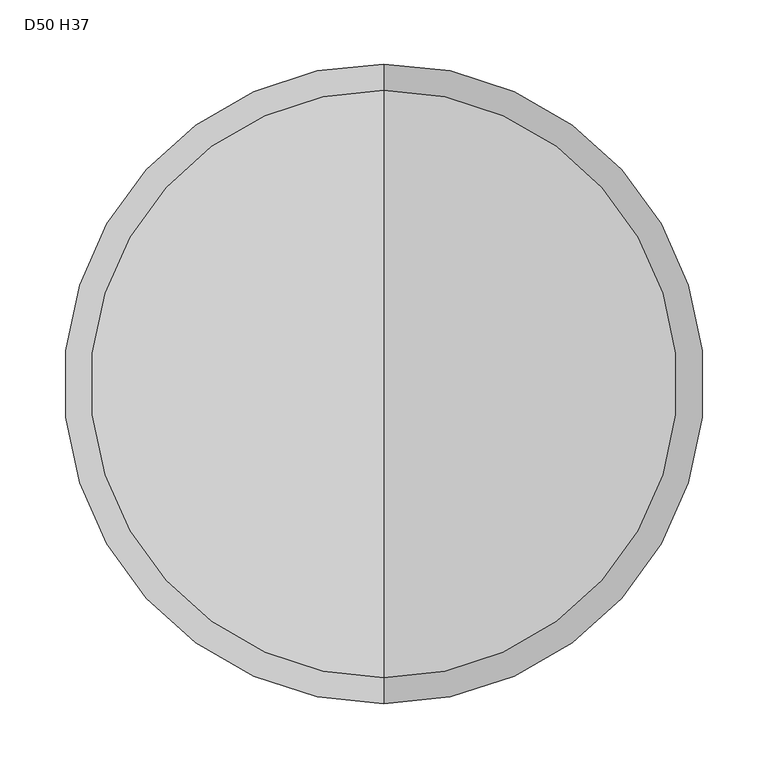
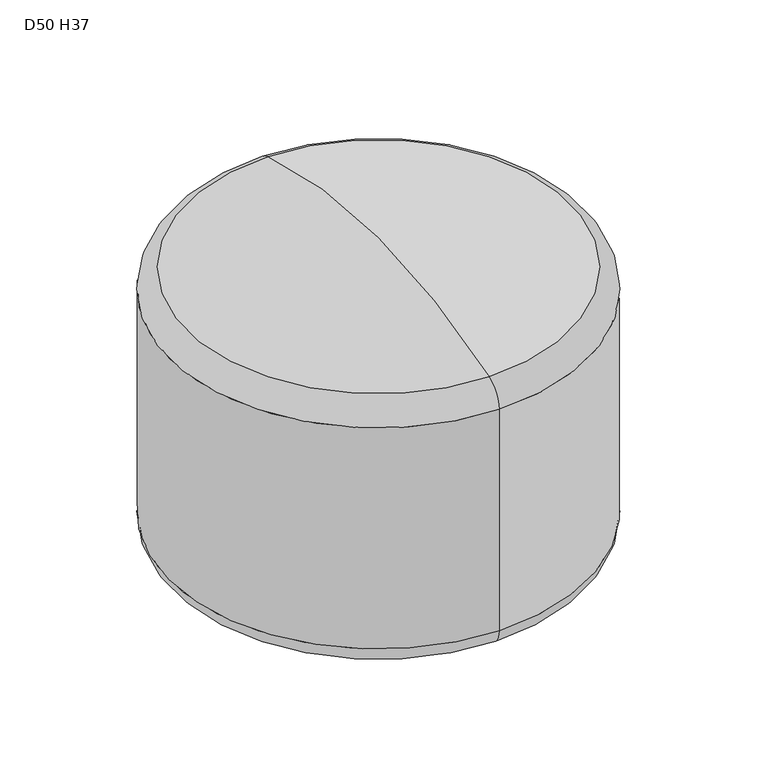
"""IFC4 building model written with IfcOpenShell, lengths in millimetres: furniture geometry, D50 H37."""

import ifcopenshell
import ifcopenshell.guid

model = None  # the IFC model being written
_history = None  # IfcOwnerHistory: only IFC2X3 demands one
_inside = {}  # id of a spatial element -> (the spatial element, [elements in it])
_under = {}  # id of a project, library or spatial element -> (it, [spatial elements below it])
_declared = {}  # id of a project -> (the project, [libraries it declares])
_typed = {}  # id of a type object -> (the type object, [elements of that type])
_made_of = {}  # id of a material, layer set ... -> (it, [elements and type objects made of it])


def new_model(schema):
    """Start an empty IFC model of exactly this schema.

    Asked for "IFC4X3", IfcOpenShell would pick the latest addendum, in which some entities
    have other attributes; the version numbers below select the first issue.
    IFC2X3 requires an IfcOwnerHistory on every rooted entity: one is made here for all.
    """
    global model, _history
    if schema == "IFC4X3":
        model = ifcopenshell.file(schema_version=(4, 3, 0, 0))
    else:
        model = ifcopenshell.file(schema=schema)
    _inside.clear()
    _under.clear()
    _declared.clear()
    _typed.clear()
    _made_of.clear()
    _history = None
    if model.schema == "IFC2X3":
        org = make("IfcOrganization", Name="unknown")
        user = make(
            "IfcPersonAndOrganization",
            ThePerson=make("IfcPerson", FamilyName="unknown"),
            TheOrganization=org,
        )
        app = make(
            "IfcApplication",
            ApplicationDeveloper=org,
            Version="unknown",
            ApplicationFullName="unknown",
            ApplicationIdentifier="unknown",
        )
        _history = make(
            "IfcOwnerHistory",
            OwningUser=user,
            OwningApplication=app,
            ChangeAction="ADDED",
            CreationDate=0,
        )
    return model


def make(cls, **values):
    """One entity of the class cls with the attributes given. An attribute that is None is left unset."""
    return model.create_entity(
        cls, **{name: value for name, value in values.items() if value is not None}
    )


def rooted(cls, **values):
    """An entity with a GlobalId (a new one), such as an element, a storey or a relation."""
    return make(cls, GlobalId=ifcopenshell.guid.new(), OwnerHistory=_history, **values)


def si_unit(unit_type, name, prefix=None):
    """IfcSIUnit, for example si_unit("LENGTHUNIT", "METRE", prefix="MILLI")."""
    return make("IfcSIUnit", UnitType=unit_type, Prefix=prefix, Name=name)


def assignment(units):
    """IfcUnitAssignment: the units of a project."""
    return None if units is None else make("IfcUnitAssignment", Units=units)


def point(xyz):
    """IfcCartesianPoint."""
    return None if xyz is None else make("IfcCartesianPoint", Coordinates=xyz)


def direction(xyz):
    """IfcDirection."""
    return None if xyz is None else make("IfcDirection", DirectionRatios=xyz)


def frame(location, z_axis=None, x_axis=None):
    """IfcAxis2Placement3D, a coordinate frame: its origin and axes. An axis left out is left unset."""
    return make(
        "IfcAxis2Placement3D",
        Location=point(location),
        Axis=direction(z_axis),
        RefDirection=direction(x_axis),
    )


def origin():
    """The frame at (0, 0, 0) with its axes left unset."""
    return frame((0.0, 0.0, 0.0))


def place(relative_to, where):
    """IfcLocalPlacement: puts the frame where relative to a parent placement (None: the world)."""
    return make(
        "IfcLocalPlacement", PlacementRelTo=relative_to, RelativePlacement=where
    )


def context(
    kind, dimensions, precision=None, world=None, true_north=None, identifier=None
):
    """IfcGeometricRepresentationContext, for example the 3D "Model" context."""
    return make(
        "IfcGeometricRepresentationContext",
        ContextIdentifier=identifier,
        ContextType=kind,
        CoordinateSpaceDimension=dimensions,
        Precision=precision,
        WorldCoordinateSystem=world,
        TrueNorth=true_north,
    )


def project(units=None, contexts=None):
    """IfcProject with its units and contexts."""
    return rooted(
        "IfcProject",
        Name="project",
        RepresentationContexts=contexts,
        UnitsInContext=assignment(units),
    )


def spatial(cls, under=None, at=None, **own):
    """A site, building, storey or space (cls), placed at a placement, below another one or the project."""
    s = rooted(cls, ObjectPlacement=at, **own)
    if under is not None:
        _under.setdefault(under.id(), (under, []))[1].append(s)
    return s


def circle_curve(where, radius):
    """IfcCircle in the frame where."""
    return make("IfcCircle", Position=where, Radius=radius)


def ellipse_curve(where, semi_axis1, semi_axis2):
    """IfcEllipse in the frame where."""
    return make(
        "IfcEllipse", Position=where, SemiAxis1=semi_axis1, SemiAxis2=semi_axis2
    )


def trimmed(basis, trim1, trim2, sense, master):
    """IfcTrimmedCurve: the piece of a basis curve between two trims."""
    return make(
        "IfcTrimmedCurve",
        BasisCurve=basis,
        Trim1=trim1,
        Trim2=trim2,
        SenseAgreement=sense,
        MasterRepresentation=master,
    )


def shape(context_of_items, identifier, shape_type, items):
    """IfcShapeRepresentation: the items that make up one representation, for example the "Body"."""
    return make(
        "IfcShapeRepresentation",
        ContextOfItems=context_of_items,
        RepresentationIdentifier=identifier,
        RepresentationType=shape_type,
        Items=items,
    )


def source(mapping_origin, context_of_items, identifier, shape_type, items):
    """IfcRepresentationMap: a shape defined once, which mapped items show again and again."""
    return make(
        "IfcRepresentationMap",
        MappingOrigin=mapping_origin,
        MappedRepresentation=shape(context_of_items, identifier, shape_type, items),
    )


def transform(
    local_origin,
    x_axis=None,
    y_axis=None,
    z_axis=None,
    scale=None,
    scale2=None,
    scale3=None,
    uniform=True,
):
    """IfcCartesianTransformationOperator3D, or its non-uniform kind. x_axis, y_axis, z_axis: its Axis1, 2, 3."""
    if uniform:
        return make(
            "IfcCartesianTransformationOperator3D",
            Axis1=direction(x_axis),
            Axis2=direction(y_axis),
            LocalOrigin=point(local_origin),
            Scale=scale,
            Axis3=direction(z_axis),
        )
    return make(
        "IfcCartesianTransformationOperator3DnonUniform",
        Axis1=direction(x_axis),
        Axis2=direction(y_axis),
        LocalOrigin=point(local_origin),
        Scale=scale,
        Axis3=direction(z_axis),
        Scale2=scale2,
        Scale3=scale3,
    )


def mapped(mapping_source, mapping_target):
    """IfcMappedItem: shows the shape of a source again, moved by a transform."""
    return make(
        "IfcMappedItem", MappingSource=mapping_source, MappingTarget=mapping_target
    )


def made_of(thing, what):
    """Note that an element or type object is made of a material, layer set ...; save() writes the relation."""
    if what is not None:
        _made_of.setdefault(what.id(), (what, []))[1].append(thing)
    return thing


def element(
    cls,
    number,
    at=None,
    inside=None,
    cuts=None,
    type_object=None,
    material=None,
    context=None,
    identifier="Body",
    shape_type=None,
    held_by="IfcProductDefinitionShape",
    body=None,
    shapes=None,
    **own,
):
    """One element of the class cls, such as IfcWall. Its Tag is "e" and its number.

    at: its placement. inside: the storey or other place that contains it. cuts: it is an
    opening in that element (IfcRelVoidsElement). A single representation is given by context,
    identifier, shape_type and body (its items); several are given by shapes. held_by: the class
    of the entity that holds the representations. save() writes the other relations.
    """
    e = rooted(cls, Tag="e%d" % number, ObjectPlacement=at, **own)
    if body is not None:
        shapes = [shape(context, identifier, shape_type, body)]
    if shapes is not None:
        e.Representation = make(held_by, Representations=shapes)
    if inside is not None:
        _inside.setdefault(inside.id(), (inside, []))[1].append(e)
    if cuts is not None:
        rooted(
            "IfcRelVoidsElement", RelatingBuildingElement=cuts, RelatedOpeningElement=e
        )
    if type_object is not None:
        _typed.setdefault(type_object.id(), (type_object, []))[1].append(e)
    return made_of(e, material)


def aggregate(whole, parts):
    """IfcRelAggregates: a whole, such as a stair, and the parts it consists of."""
    return rooted("IfcRelAggregates", RelatingObject=whole, RelatedObjects=parts)


def save(model, path):
    """Write the relations noted so far, then the file.

    IfcRelAggregates (storeys below a building ...), IfcRelContainedInSpatialStructure (elements
    in a storey), IfcRelDefinesByType, IfcRelAssociatesMaterial and IfcRelDeclares: one each for
    every whole, place, type object, material and project.
    """
    for whole, parts in _under.values():
        aggregate(whole, parts)
    for where, things in _inside.values():
        rooted(
            "IfcRelContainedInSpatialStructure",
            RelatedElements=things,
            RelatingStructure=where,
        )
    for kind, things in _typed.values():
        rooted("IfcRelDefinesByType", RelatedObjects=things, RelatingType=kind)
    for what, things in _made_of.values():
        rooted("IfcRelAssociatesMaterial", RelatedObjects=things, RelatingMaterial=what)
    for by, libraries in _declared.values():
        rooted("IfcRelDeclares", RelatingContext=by, RelatedDefinitions=libraries)
    model.write(path)


def plane_surface(at):
    """IfcPlane: the flat surface through the origin of the frame at, square to its z axis."""
    return make("IfcPlane", Position=at)


def cylinder_surface(at, radius):
    """IfcCylindricalSurface: all points at the distance radius from the z axis of the frame at."""
    return make("IfcCylindricalSurface", Position=at, Radius=radius)


def revolved_surface(curve, axis_point, axis_direction):
    """IfcSurfaceOfRevolution: the curve turned about the line through axis_point along axis_direction."""
    return make(
        "IfcSurfaceOfRevolution",
        SweptCurve=make("IfcArbitraryOpenProfileDef", ProfileType="CURVE", Curve=curve),
        AxisPosition=make("IfcAxis1Placement", Location=point(axis_point), Axis=direction(axis_direction)),
    )


def advanced_brep(points, edges, surfaces, faces):
    """IfcAdvancedBrep: a solid bounded by faces that lie on surfaces and meet in shared edges.

    An edge is (start, end): straight between two places in points (the first is 0);
    or (start, end, curve); or (start, end, curve, False) where it runs against its curve.
    A face is (place in surfaces, loops), or (place, loops, False) where it looks against
    its surface's normal. A loop lists edges by number (the first is 1), with a minus sign
    where the edge is run from its end to its start. The first loop is the outer one.
    """
    corners = [point(p) for p in points]
    vertices = [make("IfcVertexPoint", VertexGeometry=c) for c in corners]
    made = []
    for start, end, *more in edges:
        made.append(
            make(
                "IfcEdgeCurve",
                EdgeStart=vertices[start],
                EdgeEnd=vertices[end],
                EdgeGeometry=more[0] if more else make("IfcPolyline", Points=[corners[start], corners[end]]),
                SameSense=more[1] if len(more) > 1 else True,
            )
        )
    hull = []
    for where, loops, *sense in faces:
        bounds = []
        for j, loop in enumerate(loops):
            ring = [make("IfcOrientedEdge", EdgeElement=made[abs(k) - 1], Orientation=k > 0) for k in loop]
            bounds.append(
                make(
                    "IfcFaceOuterBound" if j == 0 else "IfcFaceBound",
                    Bound=make("IfcEdgeLoop", EdgeList=ring),
                    Orientation=True,
                )
            )
        hull.append(make("IfcAdvancedFace", Bounds=bounds, FaceSurface=surfaces[where], SameSense=sense[0] if sense else True))
    return make("IfcAdvancedBrep", Outer=make("IfcClosedShell", CfsFaces=hull))


def d50_h37_f905d116(model_context):
    return source(origin(), model_context, "Body", "AdvancedBrep", [
        advanced_brep(
        [(-361.1339083, 95.7606598, 304.5609525), (-361.1339083, 595.8231598, 304.5609525), (-361.1339083, 595.8231598, 25.0), (-361.1339083, 95.7606598, 25.0), (-361.1339083, 116.3695895, 333.0531935), (-361.1339083, 575.2142301, 333.0531935), (-361.1339083, 345.7919098, 369.8875), (-361.1339083, 120.7606598, 0.0), (-361.1339083, 570.8231598, 0.0), (-361.1339083, 345.7919098, 0.0)],
        [
            (0, 1, circle_curve(frame((-361.1339083, 345.7919098, 304.5609525), z_axis=(0.0, 0.0, -1.0), x_axis=(0.0, 1.0, 0.0)), 250.03125)),
            (1, 2),
            (2, 3, circle_curve(frame((-361.1339083, 345.7919098, 25.0), z_axis=(0.0, 0.0, 1.0), x_axis=(0.0, 1.0, 0.0)), 250.03125)),
            (3, 0),
            (1, 0, circle_curve(frame((-361.1339083, 345.7919098, 304.5609525), z_axis=(0.0, 0.0, -1.0), x_axis=(0.0, 1.0, 0.0)), 250.03125)),
            (3, 2, circle_curve(frame((-361.1339083, 345.7919098, 25.0), z_axis=(0.0, 0.0, 1.0), x_axis=(0.0, 1.0, 0.0)), 250.03125)),
            (4, 5, circle_curve(frame((-361.1339083, 345.7919098, 333.0531935), z_axis=(0.0, 0.0, -1.0), x_axis=(0.0, 1.0, 0.0)), 229.4223203)),
            (5, 1, circle_curve(frame((-361.1339083, 565.8231598, 304.5609525), z_axis=(-1.0, 0.0, 0.0), x_axis=(0.0, 1.0, 0.0)), 30.0)),
            (0, 4, circle_curve(frame((-361.1339083, 125.7606598, 304.5609525), z_axis=(-1.0, 0.0, 0.0), x_axis=(0.0, -1.0, 0.0)), 30.0)),
            (5, 4, circle_curve(frame((-361.1339083, 345.7919098, 333.0531935), z_axis=(0.0, 0.0, -1.0), x_axis=(0.0, 1.0, 0.0)), 229.4223203)),
            (6, 5, circle_curve(frame((-361.1339083, 345.7919098, -363.0076227), z_axis=(-1.0, 0.0, 0.0), x_axis=(0.0, 1.0, 0.0)), 732.8951227)),
            (4, 6, circle_curve(frame((-361.1339083, 345.7919098, -363.0076227), z_axis=(-1.0, 0.0, 0.0), x_axis=(0.0, -1.0, 0.0)), 732.8951227)),
            (7, 8, circle_curve(frame((-361.1339083, 345.7919098, 0.0), z_axis=(0.0, 0.0, -1.0), x_axis=(0.0, 1.0, 0.0)), 225.03125)),
            (8, 9),
            (9, 7),
            (8, 7, circle_curve(frame((-361.1339083, 345.7919098, 0.0), z_axis=(0.0, 0.0, -1.0), x_axis=(0.0, 1.0, 0.0)), 225.03125)),
            (2, 8, circle_curve(frame((-361.1339083, 570.8231598, 25.0), z_axis=(-1.0, 0.0, 0.0), x_axis=(0.0, 1.0, 0.0)), 25.0)),
            (7, 3, circle_curve(frame((-361.1339083, 120.7606598, 25.0), z_axis=(-1.0, 0.0, 0.0), x_axis=(0.0, -1.0, 0.0)), 25.0)),
        ],
        [
            cylinder_surface(frame((-361.1339083, 345.7919098, 685.8), z_axis=(0.0, 0.0, 1.0), x_axis=(0.0, 1.0, 0.0)), 250.03125),
            revolved_surface(trimmed(ellipse_curve(frame((-361.1339083, 565.8231598, 304.5609525), z_axis=(1.0, 0.0, 0.0), x_axis=(0.0, 1.0, 0.0)), 30.0, 30.0), [point((-361.1339083, 595.8231598, 304.5609525))], [point((-361.1339083, 575.2142301, 333.0531935))], True, "CARTESIAN"), (-361.1339083, 345.7919098, 685.8), (0.0, 0.0, 1.0)),
            revolved_surface(trimmed(ellipse_curve(frame((-361.1339083, 345.7919098, -363.0076227), z_axis=(1.0, 0.0, 0.0), x_axis=(0.0, 1.0, 0.0)), 732.8951227, 732.8951227), [point((-361.1339083, 575.2142301, 333.0531935))], [point((-361.1339083, 345.7919098, 369.8875))], True, "CARTESIAN"), (-361.1339083, 345.7919098, 685.8), (0.0, 0.0, 1.0)),
            plane_surface(frame((-361.1339083, 345.7919098, 0.0), z_axis=(0.0, 0.0, -1.0), x_axis=(0.0, 1.0, 0.0))),
            revolved_surface(trimmed(ellipse_curve(frame((-361.1339083, 570.8231598, 25.0), z_axis=(1.0, 0.0, 0.0), x_axis=(0.0, 1.0, 0.0)), 25.0, 25.0), [point((-361.1339083, 570.8231598, 0.0))], [point((-361.1339083, 595.8231598, 25.0))], True, "CARTESIAN"), (-361.1339083, 345.7919098, 685.8), (0.0, 0.0, 1.0)),
        ],
        [
            (0, [[1, 2, 3, 4]]),
            (0, [[5, -4, 6, -2]]),
            (1, [[7, 8, -1, 9]]),
            (1, [[10, -9, -5, -8]]),
            (2, [[11, -7, 12]]),
            (2, [[-12, -10, -11]]),
            (3, [[13, 14, 15]]),
            (3, [[16, -15, -14]]),
            (4, [[-3, 17, -13, 18]]),
            (4, [[-6, -18, -16, -17]]),
        ],
    ),
    ])


if __name__ == "__main__":
    model = new_model("IFC4")
    model_context = context("Model", 3, world=origin())
    ifc_project = project(units=[si_unit("LENGTHUNIT", "METRE", prefix="MILLI")], contexts=[model_context])
    site = spatial("IfcSite", under=ifc_project)
    building = spatial("IfcBuilding", under=site)
    placement = place(None, origin())
    d50_h37_shape = d50_h37_f905d116(model_context)
    element("IfcFurniture", 1, ObjectType="D50 H37", at=placement, inside=building, context=model_context, shape_type="MappedRepresentation", body=[
        mapped(d50_h37_shape, transform((0.0, 0.0, 0.0), x_axis=(1.0, 0.0, 0.0), y_axis=(0.0, 1.0, 0.0), z_axis=(0.0, 0.0, 1.0))),
    ])
    save(model, "model.ifc")
